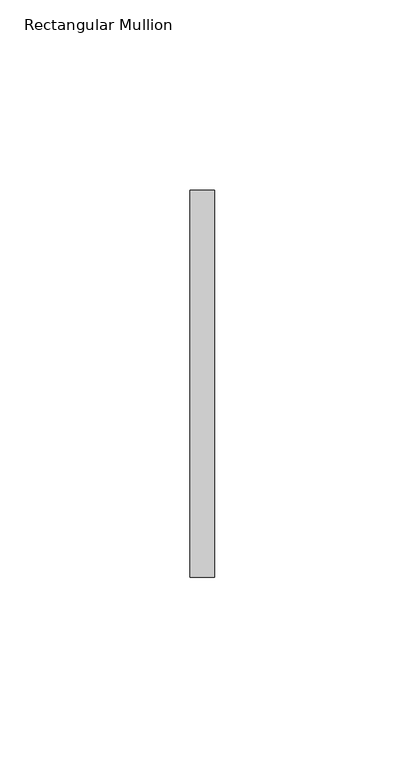
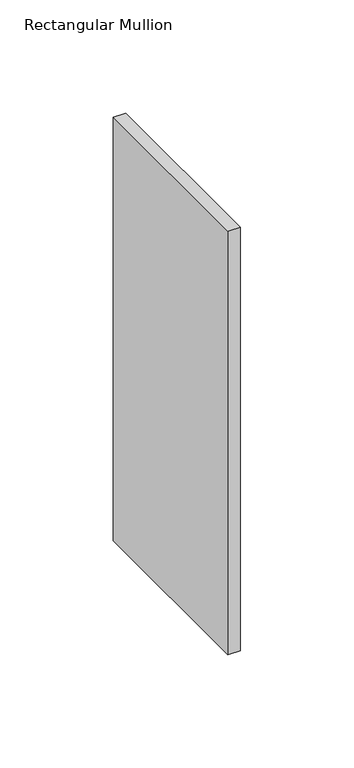
"""IFC4 building model written with IfcOpenShell, lengths in millimetres: member geometry, Rectangular Mullion."""

from ifc_helpers import new_model, si_unit, frame, origin, place, context, project, spatial, polyline, outline, extrude, source, transform, mapped, element, save


def rectangular_mullion_3523428d(model_context):
    return source(origin(), model_context, "Body", "SweptSolid", [
        extrude(outline(polyline([(0.0, 50.8), (0.0, -50.8), (-6.35, -50.8), (-6.35, 50.8), (0.0, 50.8)])), frame((0.0, 0.0, -228.6), z_axis=(0.0, 0.0, 1.0), x_axis=(1.0, 0.0, 0.0)), (0.0, 0.0, 1.0), 228.6),
    ])


if __name__ == "__main__":
    model = new_model("IFC4")
    model_context = context("Model", 3, world=origin())
    ifc_project = project(units=[si_unit("LENGTHUNIT", "METRE", prefix="MILLI")], contexts=[model_context])
    site = spatial("IfcSite", under=ifc_project)
    building = spatial("IfcBuilding", under=site)
    placement = place(None, origin())
    rectangular_mullion_shape = rectangular_mullion_3523428d(model_context)
    element("IfcMember", 1, ObjectType="Rectangular Mullion", at=placement, inside=building, context=model_context, shape_type="MappedRepresentation", body=[
        mapped(rectangular_mullion_shape, transform((0.0, 0.0, 0.0), x_axis=(1.0, 0.0, 0.0), y_axis=(0.0, 1.0, 0.0), z_axis=(0.0, 0.0, 1.0))),
    ])
    save(model, "model.ifc")
